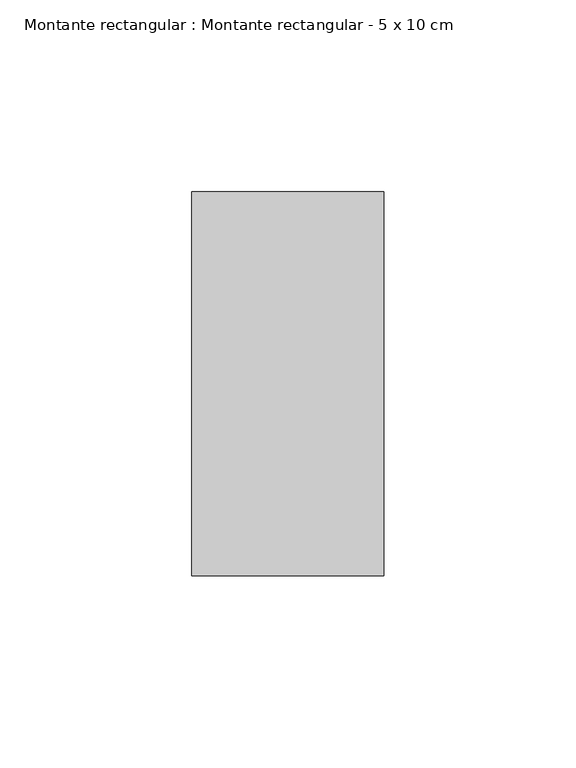
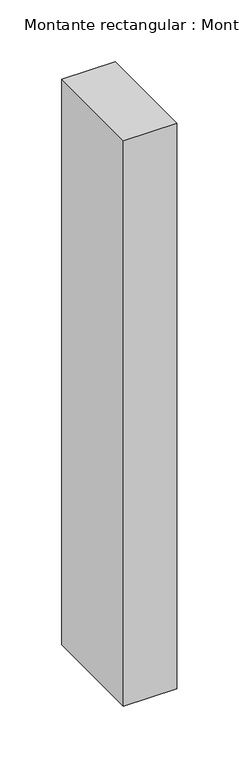
"""IFC4 building model written with IfcOpenShell, lengths in millimetres: member geometry, Montante rectangular : Montante rectangular - 5 x 10 cm."""

import ifcopenshell
import ifcopenshell.guid

model = None  # the IFC model being written
_history = None  # IfcOwnerHistory: only IFC2X3 demands one
_inside = {}  # id of a spatial element -> (the spatial element, [elements in it])
_under = {}  # id of a project, library or spatial element -> (it, [spatial elements below it])
_declared = {}  # id of a project -> (the project, [libraries it declares])
_typed = {}  # id of a type object -> (the type object, [elements of that type])
_made_of = {}  # id of a material, layer set ... -> (it, [elements and type objects made of it])


def new_model(schema):
    """Start an empty IFC model of exactly this schema.

    Asked for "IFC4X3", IfcOpenShell would pick the latest addendum, in which some entities
    have other attributes; the version numbers below select the first issue.
    IFC2X3 requires an IfcOwnerHistory on every rooted entity: one is made here for all.
    """
    global model, _history
    if schema == "IFC4X3":
        model = ifcopenshell.file(schema_version=(4, 3, 0, 0))
    else:
        model = ifcopenshell.file(schema=schema)
    _inside.clear()
    _under.clear()
    _declared.clear()
    _typed.clear()
    _made_of.clear()
    _history = None
    if model.schema == "IFC2X3":
        org = make("IfcOrganization", Name="unknown")
        user = make(
            "IfcPersonAndOrganization",
            ThePerson=make("IfcPerson", FamilyName="unknown"),
            TheOrganization=org,
        )
        app = make(
            "IfcApplication",
            ApplicationDeveloper=org,
            Version="unknown",
            ApplicationFullName="unknown",
            ApplicationIdentifier="unknown",
        )
        _history = make(
            "IfcOwnerHistory",
            OwningUser=user,
            OwningApplication=app,
            ChangeAction="ADDED",
            CreationDate=0,
        )
    return model


def make(cls, **values):
    """One entity of the class cls with the attributes given. An attribute that is None is left unset."""
    return model.create_entity(
        cls, **{name: value for name, value in values.items() if value is not None}
    )


def rooted(cls, **values):
    """An entity with a GlobalId (a new one), such as an element, a storey or a relation."""
    return make(cls, GlobalId=ifcopenshell.guid.new(), OwnerHistory=_history, **values)


def si_unit(unit_type, name, prefix=None):
    """IfcSIUnit, for example si_unit("LENGTHUNIT", "METRE", prefix="MILLI")."""
    return make("IfcSIUnit", UnitType=unit_type, Prefix=prefix, Name=name)


def assignment(units):
    """IfcUnitAssignment: the units of a project."""
    return None if units is None else make("IfcUnitAssignment", Units=units)


def point(xyz):
    """IfcCartesianPoint."""
    return None if xyz is None else make("IfcCartesianPoint", Coordinates=xyz)


def direction(xyz):
    """IfcDirection."""
    return None if xyz is None else make("IfcDirection", DirectionRatios=xyz)


def frame(location, z_axis=None, x_axis=None):
    """IfcAxis2Placement3D, a coordinate frame: its origin and axes. An axis left out is left unset."""
    return make(
        "IfcAxis2Placement3D",
        Location=point(location),
        Axis=direction(z_axis),
        RefDirection=direction(x_axis),
    )


def origin():
    """The frame at (0, 0, 0) with its axes left unset."""
    return frame((0.0, 0.0, 0.0))


def place(relative_to, where):
    """IfcLocalPlacement: puts the frame where relative to a parent placement (None: the world)."""
    return make(
        "IfcLocalPlacement", PlacementRelTo=relative_to, RelativePlacement=where
    )


def context(
    kind, dimensions, precision=None, world=None, true_north=None, identifier=None
):
    """IfcGeometricRepresentationContext, for example the 3D "Model" context."""
    return make(
        "IfcGeometricRepresentationContext",
        ContextIdentifier=identifier,
        ContextType=kind,
        CoordinateSpaceDimension=dimensions,
        Precision=precision,
        WorldCoordinateSystem=world,
        TrueNorth=true_north,
    )


def project(units=None, contexts=None):
    """IfcProject with its units and contexts."""
    return rooted(
        "IfcProject",
        Name="project",
        RepresentationContexts=contexts,
        UnitsInContext=assignment(units),
    )


def spatial(cls, under=None, at=None, **own):
    """A site, building, storey or space (cls), placed at a placement, below another one or the project."""
    s = rooted(cls, ObjectPlacement=at, **own)
    if under is not None:
        _under.setdefault(under.id(), (under, []))[1].append(s)
    return s


def polyline(points):
    """IfcPolyline through the points."""
    return make("IfcPolyline", Points=[point(p) for p in points])


def outline(outer, holes=None, kind="AREA"):
    """IfcArbitraryClosedProfileDef: a profile drawn as a closed curve; with holes, ...WithVoids."""
    if holes is None:
        return make("IfcArbitraryClosedProfileDef", ProfileType=kind, OuterCurve=outer)
    return make(
        "IfcArbitraryProfileDefWithVoids",
        ProfileType=kind,
        OuterCurve=outer,
        InnerCurves=holes,
    )


def extrude(swept, where, along, depth):
    """IfcExtrudedAreaSolid: the profile swept, set in the frame where, extruded along a direction by depth."""
    return make(
        "IfcExtrudedAreaSolid",
        SweptArea=swept,
        Position=where,
        ExtrudedDirection=direction(along),
        Depth=depth,
    )


def shape(context_of_items, identifier, shape_type, items):
    """IfcShapeRepresentation: the items that make up one representation, for example the "Body"."""
    return make(
        "IfcShapeRepresentation",
        ContextOfItems=context_of_items,
        RepresentationIdentifier=identifier,
        RepresentationType=shape_type,
        Items=items,
    )


def source(mapping_origin, context_of_items, identifier, shape_type, items):
    """IfcRepresentationMap: a shape defined once, which mapped items show again and again."""
    return make(
        "IfcRepresentationMap",
        MappingOrigin=mapping_origin,
        MappedRepresentation=shape(context_of_items, identifier, shape_type, items),
    )


def transform(
    local_origin,
    x_axis=None,
    y_axis=None,
    z_axis=None,
    scale=None,
    scale2=None,
    scale3=None,
    uniform=True,
):
    """IfcCartesianTransformationOperator3D, or its non-uniform kind. x_axis, y_axis, z_axis: its Axis1, 2, 3."""
    if uniform:
        return make(
            "IfcCartesianTransformationOperator3D",
            Axis1=direction(x_axis),
            Axis2=direction(y_axis),
            LocalOrigin=point(local_origin),
            Scale=scale,
            Axis3=direction(z_axis),
        )
    return make(
        "IfcCartesianTransformationOperator3DnonUniform",
        Axis1=direction(x_axis),
        Axis2=direction(y_axis),
        LocalOrigin=point(local_origin),
        Scale=scale,
        Axis3=direction(z_axis),
        Scale2=scale2,
        Scale3=scale3,
    )


def mapped(mapping_source, mapping_target):
    """IfcMappedItem: shows the shape of a source again, moved by a transform."""
    return make(
        "IfcMappedItem", MappingSource=mapping_source, MappingTarget=mapping_target
    )


def made_of(thing, what):
    """Note that an element or type object is made of a material, layer set ...; save() writes the relation."""
    if what is not None:
        _made_of.setdefault(what.id(), (what, []))[1].append(thing)
    return thing


def element(
    cls,
    number,
    at=None,
    inside=None,
    cuts=None,
    type_object=None,
    material=None,
    context=None,
    identifier="Body",
    shape_type=None,
    held_by="IfcProductDefinitionShape",
    body=None,
    shapes=None,
    **own,
):
    """One element of the class cls, such as IfcWall. Its Tag is "e" and its number.

    at: its placement. inside: the storey or other place that contains it. cuts: it is an
    opening in that element (IfcRelVoidsElement). A single representation is given by context,
    identifier, shape_type and body (its items); several are given by shapes. held_by: the class
    of the entity that holds the representations. save() writes the other relations.
    """
    e = rooted(cls, Tag="e%d" % number, ObjectPlacement=at, **own)
    if body is not None:
        shapes = [shape(context, identifier, shape_type, body)]
    if shapes is not None:
        e.Representation = make(held_by, Representations=shapes)
    if inside is not None:
        _inside.setdefault(inside.id(), (inside, []))[1].append(e)
    if cuts is not None:
        rooted(
            "IfcRelVoidsElement", RelatingBuildingElement=cuts, RelatedOpeningElement=e
        )
    if type_object is not None:
        _typed.setdefault(type_object.id(), (type_object, []))[1].append(e)
    return made_of(e, material)


def aggregate(whole, parts):
    """IfcRelAggregates: a whole, such as a stair, and the parts it consists of."""
    return rooted("IfcRelAggregates", RelatingObject=whole, RelatedObjects=parts)


def save(model, path):
    """Write the relations noted so far, then the file.

    IfcRelAggregates (storeys below a building ...), IfcRelContainedInSpatialStructure (elements
    in a storey), IfcRelDefinesByType, IfcRelAssociatesMaterial and IfcRelDeclares: one each for
    every whole, place, type object, material and project.
    """
    for whole, parts in _under.values():
        aggregate(whole, parts)
    for where, things in _inside.values():
        rooted(
            "IfcRelContainedInSpatialStructure",
            RelatedElements=things,
            RelatingStructure=where,
        )
    for kind, things in _typed.values():
        rooted("IfcRelDefinesByType", RelatedObjects=things, RelatingType=kind)
    for what, things in _made_of.values():
        rooted("IfcRelAssociatesMaterial", RelatedObjects=things, RelatingMaterial=what)
    for by, libraries in _declared.values():
        rooted("IfcRelDeclares", RelatingContext=by, RelatedDefinitions=libraries)
    model.write(path)


def montante_rectangular_montante_rectangular_5_x_10_cm_4440b375(model_context):
    return source(origin(), model_context, "Body", "SweptSolid", [
        extrude(outline(polyline([(0.0, 50.0), (0.0, -50.0), (-50.0, -50.0), (-50.0, 50.0), (0.0, 50.0)])), frame((0.0, 0.0, -559.0), z_axis=(0.0, 0.0, 1.0), x_axis=(1.0, 0.0, 0.0)), (0.0, 0.0, 1.0), 559.0),
    ])


if __name__ == "__main__":
    model = new_model("IFC4")
    model_context = context("Model", 3, world=origin())
    ifc_project = project(units=[si_unit("LENGTHUNIT", "METRE", prefix="MILLI")], contexts=[model_context])
    site = spatial("IfcSite", under=ifc_project)
    building = spatial("IfcBuilding", under=site)
    placement = place(None, origin())
    montante_rectangular_montante_rectangular_5_x_10_cm_shape = montante_rectangular_montante_rectangular_5_x_10_cm_4440b375(model_context)
    element("IfcMember", 1, ObjectType="Montante rectangular : Montante rectangular - 5 x 10 cm", at=placement, inside=building, context=model_context, shape_type="MappedRepresentation", body=[
        mapped(montante_rectangular_montante_rectangular_5_x_10_cm_shape, transform((0.0, 0.0, 0.0), x_axis=(1.0, 0.0, 0.0), y_axis=(0.0, 1.0, 0.0), z_axis=(0.0, 0.0, 1.0))),
    ])
    save(model, "model.ifc")
